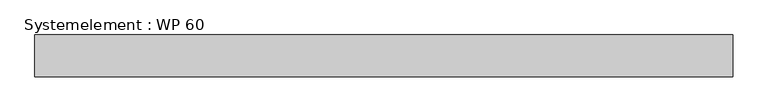
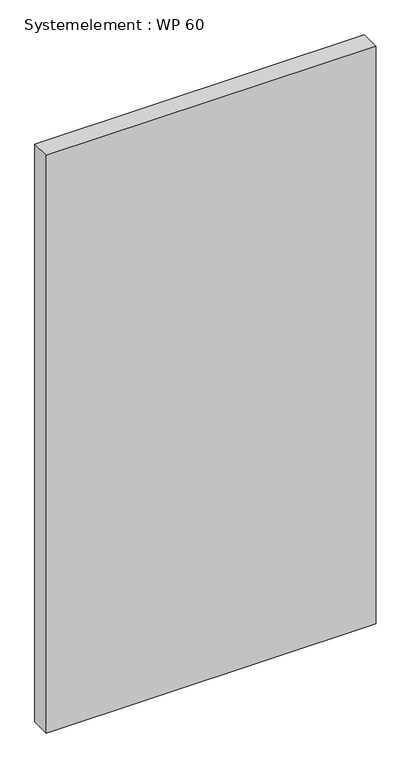
"""IFC4 building model written with IfcOpenShell, lengths in millimetres: plate geometry, Systemelement : WP 60."""

from ifc_helpers import new_model, si_unit, origin, origin_with_axes, place, context, project, spatial, polyline, outline, extrude, source, transform, mapped, element, save


def systemelement_wp_60_7816e761(model_context):
    return source(origin(), model_context, "Body", "SweptSolid", [
        extrude(outline(polyline([(500.0, -60.0), (-500.0, -60.0), (-500.0, 0.0), (500.0, 0.0), (500.0, -60.0)])), origin_with_axes(), (0.0, 0.0, 1.0), 1851.6147161),
    ])


if __name__ == "__main__":
    model = new_model("IFC4")
    model_context = context("Model", 3, world=origin())
    ifc_project = project(units=[si_unit("LENGTHUNIT", "METRE", prefix="MILLI")], contexts=[model_context])
    site = spatial("IfcSite", under=ifc_project)
    building = spatial("IfcBuilding", under=site)
    placement = place(None, origin())
    systemelement_wp_60_shape = systemelement_wp_60_7816e761(model_context)
    element("IfcPlate", 1, ObjectType="Systemelement : WP 60", at=placement, inside=building, context=model_context, shape_type="MappedRepresentation", body=[
        mapped(systemelement_wp_60_shape, transform((0.0, 0.0, 0.0), x_axis=(1.0, 0.0, 0.0), y_axis=(0.0, 1.0, 0.0), z_axis=(0.0, 0.0, 1.0))),
    ])
    save(model, "model.ifc")
